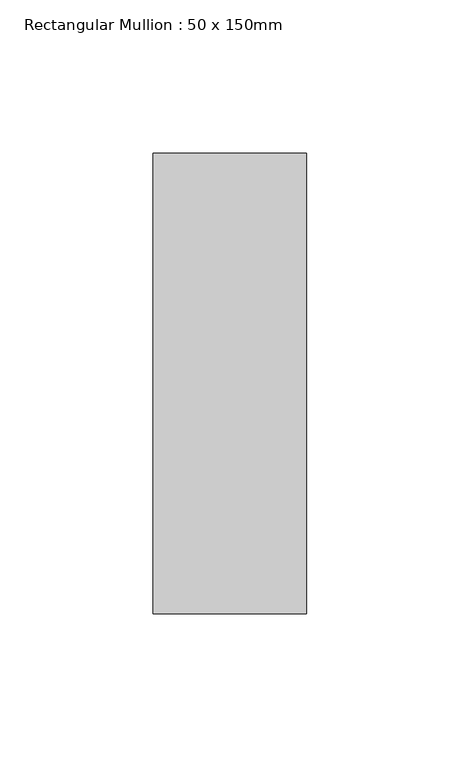
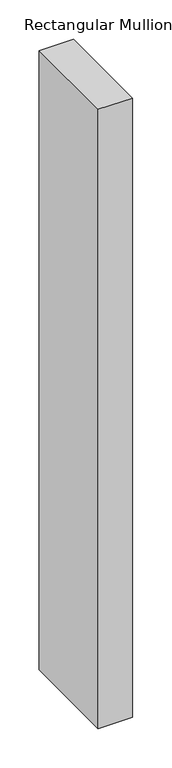
"""IFC4 building model written with IfcOpenShell, lengths in millimetres: member geometry, Rectangular Mullion : 50 x 150mm."""

import ifcopenshell
import ifcopenshell.guid

model = None  # the IFC model being written
_history = None  # IfcOwnerHistory: only IFC2X3 demands one
_inside = {}  # id of a spatial element -> (the spatial element, [elements in it])
_under = {}  # id of a project, library or spatial element -> (it, [spatial elements below it])
_declared = {}  # id of a project -> (the project, [libraries it declares])
_typed = {}  # id of a type object -> (the type object, [elements of that type])
_made_of = {}  # id of a material, layer set ... -> (it, [elements and type objects made of it])


def new_model(schema):
    """Start an empty IFC model of exactly this schema.

    Asked for "IFC4X3", IfcOpenShell would pick the latest addendum, in which some entities
    have other attributes; the version numbers below select the first issue.
    IFC2X3 requires an IfcOwnerHistory on every rooted entity: one is made here for all.
    """
    global model, _history
    if schema == "IFC4X3":
        model = ifcopenshell.file(schema_version=(4, 3, 0, 0))
    else:
        model = ifcopenshell.file(schema=schema)
    _inside.clear()
    _under.clear()
    _declared.clear()
    _typed.clear()
    _made_of.clear()
    _history = None
    if model.schema == "IFC2X3":
        org = make("IfcOrganization", Name="unknown")
        user = make(
            "IfcPersonAndOrganization",
            ThePerson=make("IfcPerson", FamilyName="unknown"),
            TheOrganization=org,
        )
        app = make(
            "IfcApplication",
            ApplicationDeveloper=org,
            Version="unknown",
            ApplicationFullName="unknown",
            ApplicationIdentifier="unknown",
        )
        _history = make(
            "IfcOwnerHistory",
            OwningUser=user,
            OwningApplication=app,
            ChangeAction="ADDED",
            CreationDate=0,
        )
    return model


def make(cls, **values):
    """One entity of the class cls with the attributes given. An attribute that is None is left unset."""
    return model.create_entity(
        cls, **{name: value for name, value in values.items() if value is not None}
    )


def rooted(cls, **values):
    """An entity with a GlobalId (a new one), such as an element, a storey or a relation."""
    return make(cls, GlobalId=ifcopenshell.guid.new(), OwnerHistory=_history, **values)


def si_unit(unit_type, name, prefix=None):
    """IfcSIUnit, for example si_unit("LENGTHUNIT", "METRE", prefix="MILLI")."""
    return make("IfcSIUnit", UnitType=unit_type, Prefix=prefix, Name=name)


def assignment(units):
    """IfcUnitAssignment: the units of a project."""
    return None if units is None else make("IfcUnitAssignment", Units=units)


def point(xyz):
    """IfcCartesianPoint."""
    return None if xyz is None else make("IfcCartesianPoint", Coordinates=xyz)


def direction(xyz):
    """IfcDirection."""
    return None if xyz is None else make("IfcDirection", DirectionRatios=xyz)


def frame(location, z_axis=None, x_axis=None):
    """IfcAxis2Placement3D, a coordinate frame: its origin and axes. An axis left out is left unset."""
    return make(
        "IfcAxis2Placement3D",
        Location=point(location),
        Axis=direction(z_axis),
        RefDirection=direction(x_axis),
    )


def origin():
    """The frame at (0, 0, 0) with its axes left unset."""
    return frame((0.0, 0.0, 0.0))


def place(relative_to, where):
    """IfcLocalPlacement: puts the frame where relative to a parent placement (None: the world)."""
    return make(
        "IfcLocalPlacement", PlacementRelTo=relative_to, RelativePlacement=where
    )


def context(
    kind, dimensions, precision=None, world=None, true_north=None, identifier=None
):
    """IfcGeometricRepresentationContext, for example the 3D "Model" context."""
    return make(
        "IfcGeometricRepresentationContext",
        ContextIdentifier=identifier,
        ContextType=kind,
        CoordinateSpaceDimension=dimensions,
        Precision=precision,
        WorldCoordinateSystem=world,
        TrueNorth=true_north,
    )


def project(units=None, contexts=None):
    """IfcProject with its units and contexts."""
    return rooted(
        "IfcProject",
        Name="project",
        RepresentationContexts=contexts,
        UnitsInContext=assignment(units),
    )


def spatial(cls, under=None, at=None, **own):
    """A site, building, storey or space (cls), placed at a placement, below another one or the project."""
    s = rooted(cls, ObjectPlacement=at, **own)
    if under is not None:
        _under.setdefault(under.id(), (under, []))[1].append(s)
    return s


def polyline(points):
    """IfcPolyline through the points."""
    return make("IfcPolyline", Points=[point(p) for p in points])


def outline(outer, holes=None, kind="AREA"):
    """IfcArbitraryClosedProfileDef: a profile drawn as a closed curve; with holes, ...WithVoids."""
    if holes is None:
        return make("IfcArbitraryClosedProfileDef", ProfileType=kind, OuterCurve=outer)
    return make(
        "IfcArbitraryProfileDefWithVoids",
        ProfileType=kind,
        OuterCurve=outer,
        InnerCurves=holes,
    )


def extrude(swept, where, along, depth):
    """IfcExtrudedAreaSolid: the profile swept, set in the frame where, extruded along a direction by depth."""
    return make(
        "IfcExtrudedAreaSolid",
        SweptArea=swept,
        Position=where,
        ExtrudedDirection=direction(along),
        Depth=depth,
    )


def shape(context_of_items, identifier, shape_type, items):
    """IfcShapeRepresentation: the items that make up one representation, for example the "Body"."""
    return make(
        "IfcShapeRepresentation",
        ContextOfItems=context_of_items,
        RepresentationIdentifier=identifier,
        RepresentationType=shape_type,
        Items=items,
    )


def source(mapping_origin, context_of_items, identifier, shape_type, items):
    """IfcRepresentationMap: a shape defined once, which mapped items show again and again."""
    return make(
        "IfcRepresentationMap",
        MappingOrigin=mapping_origin,
        MappedRepresentation=shape(context_of_items, identifier, shape_type, items),
    )


def transform(
    local_origin,
    x_axis=None,
    y_axis=None,
    z_axis=None,
    scale=None,
    scale2=None,
    scale3=None,
    uniform=True,
):
    """IfcCartesianTransformationOperator3D, or its non-uniform kind. x_axis, y_axis, z_axis: its Axis1, 2, 3."""
    if uniform:
        return make(
            "IfcCartesianTransformationOperator3D",
            Axis1=direction(x_axis),
            Axis2=direction(y_axis),
            LocalOrigin=point(local_origin),
            Scale=scale,
            Axis3=direction(z_axis),
        )
    return make(
        "IfcCartesianTransformationOperator3DnonUniform",
        Axis1=direction(x_axis),
        Axis2=direction(y_axis),
        LocalOrigin=point(local_origin),
        Scale=scale,
        Axis3=direction(z_axis),
        Scale2=scale2,
        Scale3=scale3,
    )


def mapped(mapping_source, mapping_target):
    """IfcMappedItem: shows the shape of a source again, moved by a transform."""
    return make(
        "IfcMappedItem", MappingSource=mapping_source, MappingTarget=mapping_target
    )


def made_of(thing, what):
    """Note that an element or type object is made of a material, layer set ...; save() writes the relation."""
    if what is not None:
        _made_of.setdefault(what.id(), (what, []))[1].append(thing)
    return thing


def element(
    cls,
    number,
    at=None,
    inside=None,
    cuts=None,
    type_object=None,
    material=None,
    context=None,
    identifier="Body",
    shape_type=None,
    held_by="IfcProductDefinitionShape",
    body=None,
    shapes=None,
    **own,
):
    """One element of the class cls, such as IfcWall. Its Tag is "e" and its number.

    at: its placement. inside: the storey or other place that contains it. cuts: it is an
    opening in that element (IfcRelVoidsElement). A single representation is given by context,
    identifier, shape_type and body (its items); several are given by shapes. held_by: the class
    of the entity that holds the representations. save() writes the other relations.
    """
    e = rooted(cls, Tag="e%d" % number, ObjectPlacement=at, **own)
    if body is not None:
        shapes = [shape(context, identifier, shape_type, body)]
    if shapes is not None:
        e.Representation = make(held_by, Representations=shapes)
    if inside is not None:
        _inside.setdefault(inside.id(), (inside, []))[1].append(e)
    if cuts is not None:
        rooted(
            "IfcRelVoidsElement", RelatingBuildingElement=cuts, RelatedOpeningElement=e
        )
    if type_object is not None:
        _typed.setdefault(type_object.id(), (type_object, []))[1].append(e)
    return made_of(e, material)


def aggregate(whole, parts):
    """IfcRelAggregates: a whole, such as a stair, and the parts it consists of."""
    return rooted("IfcRelAggregates", RelatingObject=whole, RelatedObjects=parts)


def save(model, path):
    """Write the relations noted so far, then the file.

    IfcRelAggregates (storeys below a building ...), IfcRelContainedInSpatialStructure (elements
    in a storey), IfcRelDefinesByType, IfcRelAssociatesMaterial and IfcRelDeclares: one each for
    every whole, place, type object, material and project.
    """
    for whole, parts in _under.values():
        aggregate(whole, parts)
    for where, things in _inside.values():
        rooted(
            "IfcRelContainedInSpatialStructure",
            RelatedElements=things,
            RelatingStructure=where,
        )
    for kind, things in _typed.values():
        rooted("IfcRelDefinesByType", RelatedObjects=things, RelatingType=kind)
    for what, things in _made_of.values():
        rooted("IfcRelAssociatesMaterial", RelatedObjects=things, RelatingMaterial=what)
    for by, libraries in _declared.values():
        rooted("IfcRelDeclares", RelatingContext=by, RelatedDefinitions=libraries)
    model.write(path)


def rectangular_mullion_50_x_150mm_e76b18e2(model_context):
    return source(origin(), model_context, "Body", "SweptSolid", [
        extrude(outline(polyline([(0.0, 75.0), (0.0, -75.0), (-50.0, -75.0), (-50.0, 75.0), (0.0, 75.0)])), frame((0.0, 0.0, -959.2832552), z_axis=(0.0, 0.0, 1.0), x_axis=(1.0, 0.0, 0.0)), (0.0, 0.0, 1.0), 959.2832552),
    ])


if __name__ == "__main__":
    model = new_model("IFC4")
    model_context = context("Model", 3, world=origin())
    ifc_project = project(units=[si_unit("LENGTHUNIT", "METRE", prefix="MILLI")], contexts=[model_context])
    site = spatial("IfcSite", under=ifc_project)
    building = spatial("IfcBuilding", under=site)
    placement = place(None, origin())
    rectangular_mullion_50_x_150mm_shape = rectangular_mullion_50_x_150mm_e76b18e2(model_context)
    element("IfcMember", 1, ObjectType="Rectangular Mullion : 50 x 150mm", at=placement, inside=building, context=model_context, shape_type="MappedRepresentation", body=[
        mapped(rectangular_mullion_50_x_150mm_shape, transform((0.0, 0.0, 0.0), x_axis=(1.0, 0.0, 0.0), y_axis=(0.0, 1.0, 0.0), z_axis=(0.0, 0.0, 1.0))),
    ])
    save(model, "model.ifc")
